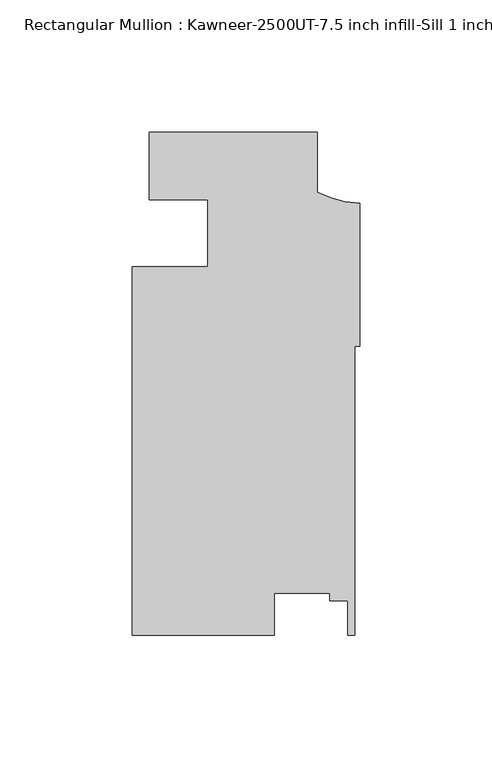
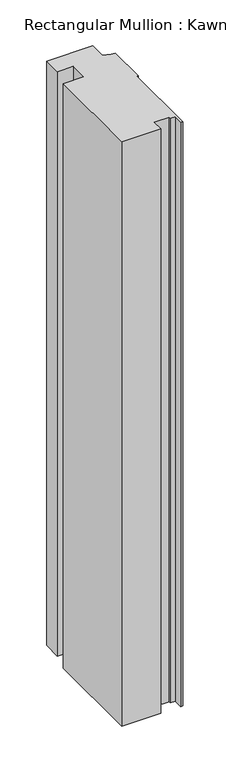
"""IFC4 building model written with IfcOpenShell, lengths in millimetres: member geometry, Rectangular Mullion : Kawneer-2500UT-7.5 inch infill-Sill 1 inch infill MODEL."""

from ifc_helpers import new_model, si_unit, point, frame, frame_2d, origin, place, context, project, spatial, polyline, circle_curve, trimmed, segment, composite_curve, outline, extrude, source, transform, mapped, element, save


def rectangular_mullion_kawneer_2500ut_7_5_inch_infill_sill_1_ef8e9a47(model_context):
    return source(origin(), model_context, "Body", "SweptSolid", [
        extrude(outline(composite_curve([segment(polyline([(-79.4905696, 38.1), (-15.9746946, 38.1), (-15.9746946, 15.5383029)]), True, "CONTINUOUS"), segment(trimmed(circle_curve(frame_2d((1.9580191, 50.6649275)), 39.4393455), [point((-15.9746946, 15.5383029))], [point((0.0, 11.2742162))], True, "CARTESIAN"), True, "CONTINUOUS"), segment(polyline([(0.0, 11.2742162), (0.0, -42.756141), (-1.8773984, -42.756141), (-1.8773984, -151.907875), (-4.4208709, -151.907875), (-4.4208709, -138.8640758), (-11.2788707, -138.8640758), (-11.2788707, -136.0094705), (-32.2255199, -136.0094705), (-32.2255199, -151.907875), (-85.8405696, -151.907875), (-85.8405696, -12.7163275), (-57.2655696, -12.7157457), (-57.2655696, 12.3664923)]), True, "CONTINUOUS"), segment(trimmed(circle_curve(frame_2d((-75.1898178, -448.3236947)), 461.0387479), [point((-57.2655696, 12.3664923))], [point((-79.4905696, 12.6949932))], True, "CARTESIAN"), True, "CONTINUOUS"), segment(polyline([(-79.4905696, 12.6949932), (-79.4905696, 38.1)]), True, "CONTINUOUS")], self_intersect=False)), frame((0.0, 0.0, -850.9000061), z_axis=(0.0, 0.0, 1.0), x_axis=(1.0, 0.0, 0.0)), (0.0, 0.0, 1.0), 850.9000061),
    ])


if __name__ == "__main__":
    model = new_model("IFC4")
    model_context = context("Model", 3, world=origin())
    ifc_project = project(units=[si_unit("LENGTHUNIT", "METRE", prefix="MILLI")], contexts=[model_context])
    site = spatial("IfcSite", under=ifc_project)
    building = spatial("IfcBuilding", under=site)
    placement = place(None, origin())
    rectangular_mullion_kawneer_2500ut_7_5_inch_infill_sill_1_shape = rectangular_mullion_kawneer_2500ut_7_5_inch_infill_sill_1_ef8e9a47(model_context)
    element("IfcMember", 1, ObjectType="Rectangular Mullion : Kawneer-2500UT-7.5 inch infill-Sill 1 inch infill MODEL", at=placement, inside=building, context=model_context, shape_type="MappedRepresentation", body=[
        mapped(rectangular_mullion_kawneer_2500ut_7_5_inch_infill_sill_1_shape, transform((0.0, 0.0, 0.0), x_axis=(1.0, 0.0, 0.0), y_axis=(0.0, 1.0, 0.0), z_axis=(0.0, 0.0, 1.0))),
    ])
    save(model, "model.ifc")
